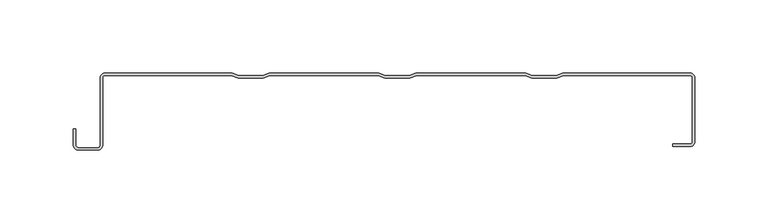
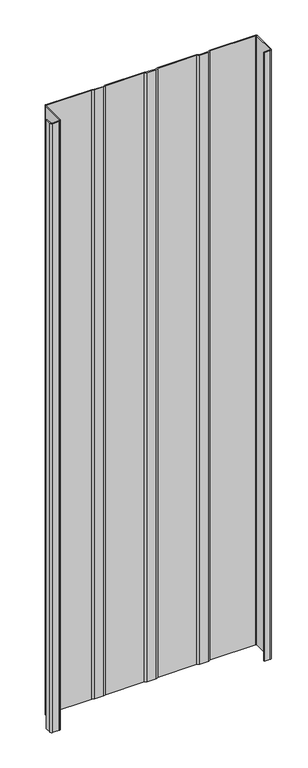
"""IFC4 building model written with IfcOpenShell, lengths in millimetres: plate geometry."""

from ifc_helpers import new_model, si_unit, point, frame_2d, origin, origin_with_axes, place, context, project, spatial, polyline, circle_curve, trimmed, segment, composite_curve, outline, extrude, source, transform, mapped, element, save


def plate_ad58f7df(model_context):
    return source(origin(), model_context, "Body", "SweptSolid", [
        extrude(outline(composite_curve([segment(polyline([(-200.2481973, -2.7400216), (-200.2481973, -48.8784494)]), True, "CONTINUOUS"), segment(trimmed(circle_curve(frame_2d((-203.8791678, -48.8784494)), 3.6309705), [point((-200.2481973, -48.8784494))], [point((-203.8791678, -52.5094199))], False, "CARTESIAN"), True, "CONTINUOUS"), segment(polyline([(-203.8791678, -52.5094199), (-216.60701, -52.5094199)]), True, "CONTINUOUS"), segment(trimmed(circle_curve(frame_2d((-216.60701, -48.8784494)), 3.6309705), [point((-216.60701, -52.5094199))], [point((-220.2379805, -48.8784494))], False, "CARTESIAN"), True, "CONTINUOUS"), segment(polyline([(-220.2379805, -48.8784494), (-220.2379805, -38.1835265), (-218.6399292, -38.1835265), (-218.6399292, -48.8784494)]), True, "CONTINUOUS"), segment(trimmed(circle_curve(frame_2d((-216.60701, -48.8784494)), 2.0329192), [point((-218.6399292, -48.8784494))], [point((-216.60701, -50.9113686))], True, "CARTESIAN"), True, "CONTINUOUS"), segment(polyline([(-216.60701, -50.9113686), (-203.8791678, -50.9113686)]), True, "CONTINUOUS"), segment(trimmed(circle_curve(frame_2d((-203.8791678, -48.8784494)), 2.0329192), [point((-203.8791678, -50.9113686))], [point((-201.8462486, -48.8784494))], True, "CARTESIAN"), True, "CONTINUOUS"), segment(polyline([(-201.8462486, -48.8784494), (-201.8462486, -2.7400216)]), True, "CONTINUOUS"), segment(trimmed(circle_curve(frame_2d((-199.106227, -2.7400216)), 2.7400216), [point((-201.8462486, -2.7400216))], [point((-199.106227, 0.0))], False, "CARTESIAN"), True, "CONTINUOUS"), segment(polyline([(-199.106227, 0.0), (-112.123961, 0.0), (-107.6992984, -1.7698651), (-91.3168203, -1.7698651), (-86.8921577, 0.0), (-12.0559003, 0.0), (-7.6312376, -1.7698651), (8.7512404, -1.7698651), (13.1759031, 0.0), (88.0121605, 0.0), (92.4368232, -1.7698651), (108.8193012, -1.7698651), (113.2439639, 0.0), (200.2262298, 0.0)]), True, "CONTINUOUS"), segment(trimmed(circle_curve(frame_2d((200.2595098, -2.7402881)), 2.7404902), [point((200.2262298, 0.0))], [point((203.0, -2.7402881))], False, "CARTESIAN"), True, "CONTINUOUS"), segment(polyline([(203.0, -2.7402881), (203.0, -47.2180172)]), True, "CONTINUOUS"), segment(trimmed(circle_curve(frame_2d((200.2262298, -47.2180172)), 2.7737702), [point((203.0, -47.2180172))], [point((200.2262298, -49.9917874))], False, "CARTESIAN"), True, "CONTINUOUS"), segment(polyline([(200.2262298, -49.9917874), (188.1469081, -49.9917874), (188.1469081, -48.374053), (200.2262298, -48.374053)]), True, "CONTINUOUS"), segment(trimmed(circle_curve(frame_2d((200.2262298, -47.2180172)), 1.1560358), [point((200.2262298, -48.374053))], [point((201.3822657, -47.2180172))], True, "CARTESIAN"), True, "CONTINUOUS"), segment(polyline([(201.3822657, -47.2180172), (201.3822657, -2.7540871)]), True, "CONTINUOUS"), segment(trimmed(circle_curve(frame_2d((200.2262298, -2.7540871)), 1.1560358), [point((201.3822657, -2.7540871))], [point((200.2262298, -1.5980513))], True, "CARTESIAN"), True, "CONTINUOUS"), segment(polyline([(200.2262298, -1.5980513), (113.786798, -1.5980513), (109.1438713, -3.455222), (92.1122531, -3.455222), (87.4693264, -1.5980513), (13.7187372, -1.5980513), (9.0758105, -3.455222), (-7.9558077, -3.455222), (-12.5987344, -1.5980513), (-86.3493236, -1.5980513), (-90.9922503, -3.455222), (-108.0238685, -3.455222), (-112.6667951, -1.5980513), (-199.106227, -1.5980513)]), True, "CONTINUOUS"), segment(trimmed(circle_curve(frame_2d((-199.106227, -2.7400216)), 1.1419703), [point((-199.106227, -1.5980513))], [point((-200.2481973, -2.7400216))], True, "CARTESIAN"), True, "CONTINUOUS")], self_intersect=False)), origin_with_axes(), (0.0, 0.0, 1.0), 1228.3559792),
    ])


if __name__ == "__main__":
    model = new_model("IFC4")
    model_context = context("Model", 3, world=origin())
    ifc_project = project(units=[si_unit("LENGTHUNIT", "METRE", prefix="MILLI")], contexts=[model_context])
    site = spatial("IfcSite", under=ifc_project)
    building = spatial("IfcBuilding", under=site)
    placement = place(None, origin())
    plate_shape = plate_ad58f7df(model_context)
    element("IfcPlate", 1, at=placement, inside=building, context=model_context, shape_type="MappedRepresentation", body=[
        mapped(plate_shape, transform((0.0, 0.0, 0.0), x_axis=(1.0, 0.0, 0.0), y_axis=(0.0, 1.0, 0.0), z_axis=(0.0, 0.0, 1.0))),
    ])
    save(model, "model.ifc")
